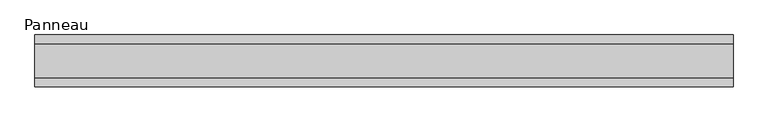
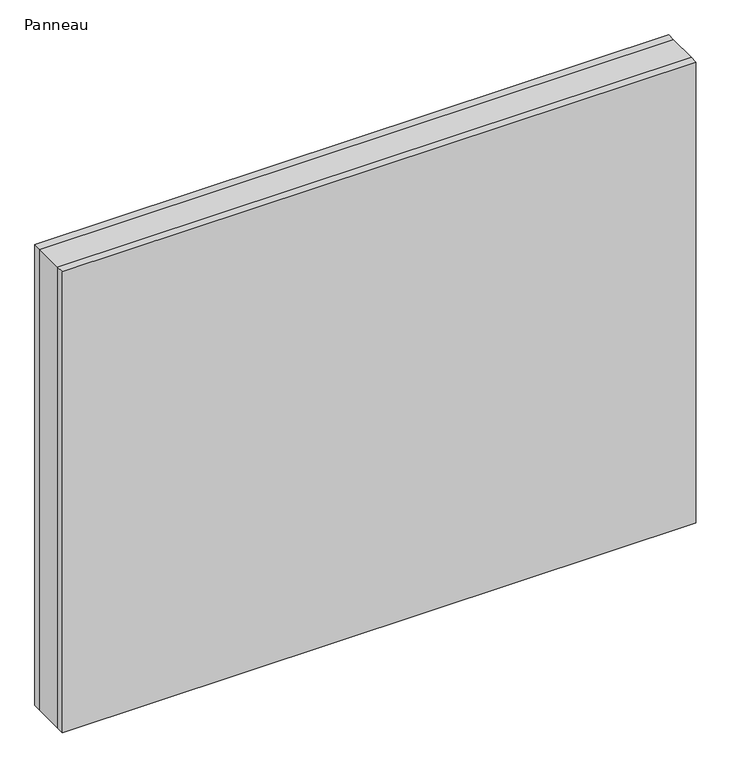
"""IFC4 building model written with IfcOpenShell, lengths in millimetres: plate geometry, Panneau."""

from ifc_helpers import new_model, si_unit, origin, origin_with_axes, place, context, project, spatial, polyline, outline, extrude, source, transform, mapped, element, save


def panneau_605e8441(model_context):
    return source(origin(), model_context, "Body", "SweptSolid", [
        extrude(outline(polyline([(603.3750001, 29.0), (603.3750001, -29.0), (-603.3750001, -29.0), (-603.3750001, 29.0), (603.3750001, 29.0)])), origin_with_axes(), (0.0, 0.0, 1.0), 928.5),
        extrude(outline(polyline([(603.3750001, 45.0), (603.3750001, 29.0), (-603.3750001, 29.0), (-603.3750001, 45.0), (603.3750001, 45.0)])), origin_with_axes(), (0.0, 0.0, 1.0), 928.5),
        extrude(outline(polyline([(-603.3750001, -45.0), (-603.3750001, -29.0), (603.3750001, -29.0), (603.3750001, -45.0), (-603.3750001, -45.0)])), origin_with_axes(), (0.0, 0.0, 1.0), 928.5),
    ])


if __name__ == "__main__":
    model = new_model("IFC4")
    model_context = context("Model", 3, world=origin())
    ifc_project = project(units=[si_unit("LENGTHUNIT", "METRE", prefix="MILLI")], contexts=[model_context])
    site = spatial("IfcSite", under=ifc_project)
    building = spatial("IfcBuilding", under=site)
    placement = place(None, origin())
    panneau_shape = panneau_605e8441(model_context)
    element("IfcPlate", 1, ObjectType="Panneau", at=placement, inside=building, context=model_context, shape_type="MappedRepresentation", body=[
        mapped(panneau_shape, transform((0.0, 0.0, 0.0), x_axis=(1.0, 0.0, 0.0), y_axis=(0.0, 1.0, 0.0), z_axis=(0.0, 0.0, 1.0))),
    ])
    save(model, "model.ifc")
